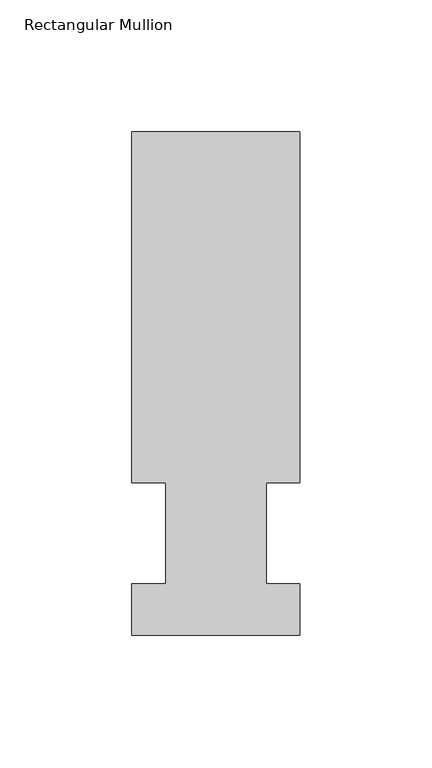
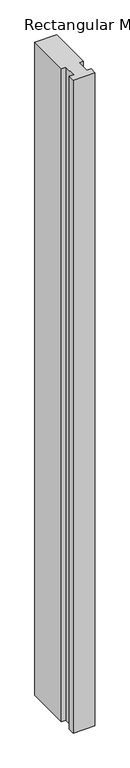
"""IFC4 building model written with IfcOpenShell, lengths in millimetres: member geometry, Rectangular Mullion."""

import ifcopenshell
import ifcopenshell.guid

model = None  # the IFC model being written
_history = None  # IfcOwnerHistory: only IFC2X3 demands one
_inside = {}  # id of a spatial element -> (the spatial element, [elements in it])
_under = {}  # id of a project, library or spatial element -> (it, [spatial elements below it])
_declared = {}  # id of a project -> (the project, [libraries it declares])
_typed = {}  # id of a type object -> (the type object, [elements of that type])
_made_of = {}  # id of a material, layer set ... -> (it, [elements and type objects made of it])


def new_model(schema):
    """Start an empty IFC model of exactly this schema.

    Asked for "IFC4X3", IfcOpenShell would pick the latest addendum, in which some entities
    have other attributes; the version numbers below select the first issue.
    IFC2X3 requires an IfcOwnerHistory on every rooted entity: one is made here for all.
    """
    global model, _history
    if schema == "IFC4X3":
        model = ifcopenshell.file(schema_version=(4, 3, 0, 0))
    else:
        model = ifcopenshell.file(schema=schema)
    _inside.clear()
    _under.clear()
    _declared.clear()
    _typed.clear()
    _made_of.clear()
    _history = None
    if model.schema == "IFC2X3":
        org = make("IfcOrganization", Name="unknown")
        user = make(
            "IfcPersonAndOrganization",
            ThePerson=make("IfcPerson", FamilyName="unknown"),
            TheOrganization=org,
        )
        app = make(
            "IfcApplication",
            ApplicationDeveloper=org,
            Version="unknown",
            ApplicationFullName="unknown",
            ApplicationIdentifier="unknown",
        )
        _history = make(
            "IfcOwnerHistory",
            OwningUser=user,
            OwningApplication=app,
            ChangeAction="ADDED",
            CreationDate=0,
        )
    return model


def make(cls, **values):
    """One entity of the class cls with the attributes given. An attribute that is None is left unset."""
    return model.create_entity(
        cls, **{name: value for name, value in values.items() if value is not None}
    )


def rooted(cls, **values):
    """An entity with a GlobalId (a new one), such as an element, a storey or a relation."""
    return make(cls, GlobalId=ifcopenshell.guid.new(), OwnerHistory=_history, **values)


def si_unit(unit_type, name, prefix=None):
    """IfcSIUnit, for example si_unit("LENGTHUNIT", "METRE", prefix="MILLI")."""
    return make("IfcSIUnit", UnitType=unit_type, Prefix=prefix, Name=name)


def assignment(units):
    """IfcUnitAssignment: the units of a project."""
    return None if units is None else make("IfcUnitAssignment", Units=units)


def point(xyz):
    """IfcCartesianPoint."""
    return None if xyz is None else make("IfcCartesianPoint", Coordinates=xyz)


def direction(xyz):
    """IfcDirection."""
    return None if xyz is None else make("IfcDirection", DirectionRatios=xyz)


def frame(location, z_axis=None, x_axis=None):
    """IfcAxis2Placement3D, a coordinate frame: its origin and axes. An axis left out is left unset."""
    return make(
        "IfcAxis2Placement3D",
        Location=point(location),
        Axis=direction(z_axis),
        RefDirection=direction(x_axis),
    )


def origin():
    """The frame at (0, 0, 0) with its axes left unset."""
    return frame((0.0, 0.0, 0.0))


def place(relative_to, where):
    """IfcLocalPlacement: puts the frame where relative to a parent placement (None: the world)."""
    return make(
        "IfcLocalPlacement", PlacementRelTo=relative_to, RelativePlacement=where
    )


def context(
    kind, dimensions, precision=None, world=None, true_north=None, identifier=None
):
    """IfcGeometricRepresentationContext, for example the 3D "Model" context."""
    return make(
        "IfcGeometricRepresentationContext",
        ContextIdentifier=identifier,
        ContextType=kind,
        CoordinateSpaceDimension=dimensions,
        Precision=precision,
        WorldCoordinateSystem=world,
        TrueNorth=true_north,
    )


def project(units=None, contexts=None):
    """IfcProject with its units and contexts."""
    return rooted(
        "IfcProject",
        Name="project",
        RepresentationContexts=contexts,
        UnitsInContext=assignment(units),
    )


def spatial(cls, under=None, at=None, **own):
    """A site, building, storey or space (cls), placed at a placement, below another one or the project."""
    s = rooted(cls, ObjectPlacement=at, **own)
    if under is not None:
        _under.setdefault(under.id(), (under, []))[1].append(s)
    return s


def polyline(points):
    """IfcPolyline through the points."""
    return make("IfcPolyline", Points=[point(p) for p in points])


def outline(outer, holes=None, kind="AREA"):
    """IfcArbitraryClosedProfileDef: a profile drawn as a closed curve; with holes, ...WithVoids."""
    if holes is None:
        return make("IfcArbitraryClosedProfileDef", ProfileType=kind, OuterCurve=outer)
    return make(
        "IfcArbitraryProfileDefWithVoids",
        ProfileType=kind,
        OuterCurve=outer,
        InnerCurves=holes,
    )


def extrude(swept, where, along, depth):
    """IfcExtrudedAreaSolid: the profile swept, set in the frame where, extruded along a direction by depth."""
    return make(
        "IfcExtrudedAreaSolid",
        SweptArea=swept,
        Position=where,
        ExtrudedDirection=direction(along),
        Depth=depth,
    )


def shape(context_of_items, identifier, shape_type, items):
    """IfcShapeRepresentation: the items that make up one representation, for example the "Body"."""
    return make(
        "IfcShapeRepresentation",
        ContextOfItems=context_of_items,
        RepresentationIdentifier=identifier,
        RepresentationType=shape_type,
        Items=items,
    )


def source(mapping_origin, context_of_items, identifier, shape_type, items):
    """IfcRepresentationMap: a shape defined once, which mapped items show again and again."""
    return make(
        "IfcRepresentationMap",
        MappingOrigin=mapping_origin,
        MappedRepresentation=shape(context_of_items, identifier, shape_type, items),
    )


def transform(
    local_origin,
    x_axis=None,
    y_axis=None,
    z_axis=None,
    scale=None,
    scale2=None,
    scale3=None,
    uniform=True,
):
    """IfcCartesianTransformationOperator3D, or its non-uniform kind. x_axis, y_axis, z_axis: its Axis1, 2, 3."""
    if uniform:
        return make(
            "IfcCartesianTransformationOperator3D",
            Axis1=direction(x_axis),
            Axis2=direction(y_axis),
            LocalOrigin=point(local_origin),
            Scale=scale,
            Axis3=direction(z_axis),
        )
    return make(
        "IfcCartesianTransformationOperator3DnonUniform",
        Axis1=direction(x_axis),
        Axis2=direction(y_axis),
        LocalOrigin=point(local_origin),
        Scale=scale,
        Axis3=direction(z_axis),
        Scale2=scale2,
        Scale3=scale3,
    )


def mapped(mapping_source, mapping_target):
    """IfcMappedItem: shows the shape of a source again, moved by a transform."""
    return make(
        "IfcMappedItem", MappingSource=mapping_source, MappingTarget=mapping_target
    )


def made_of(thing, what):
    """Note that an element or type object is made of a material, layer set ...; save() writes the relation."""
    if what is not None:
        _made_of.setdefault(what.id(), (what, []))[1].append(thing)
    return thing


def element(
    cls,
    number,
    at=None,
    inside=None,
    cuts=None,
    type_object=None,
    material=None,
    context=None,
    identifier="Body",
    shape_type=None,
    held_by="IfcProductDefinitionShape",
    body=None,
    shapes=None,
    **own,
):
    """One element of the class cls, such as IfcWall. Its Tag is "e" and its number.

    at: its placement. inside: the storey or other place that contains it. cuts: it is an
    opening in that element (IfcRelVoidsElement). A single representation is given by context,
    identifier, shape_type and body (its items); several are given by shapes. held_by: the class
    of the entity that holds the representations. save() writes the other relations.
    """
    e = rooted(cls, Tag="e%d" % number, ObjectPlacement=at, **own)
    if body is not None:
        shapes = [shape(context, identifier, shape_type, body)]
    if shapes is not None:
        e.Representation = make(held_by, Representations=shapes)
    if inside is not None:
        _inside.setdefault(inside.id(), (inside, []))[1].append(e)
    if cuts is not None:
        rooted(
            "IfcRelVoidsElement", RelatingBuildingElement=cuts, RelatedOpeningElement=e
        )
    if type_object is not None:
        _typed.setdefault(type_object.id(), (type_object, []))[1].append(e)
    return made_of(e, material)


def aggregate(whole, parts):
    """IfcRelAggregates: a whole, such as a stair, and the parts it consists of."""
    return rooted("IfcRelAggregates", RelatingObject=whole, RelatedObjects=parts)


def save(model, path):
    """Write the relations noted so far, then the file.

    IfcRelAggregates (storeys below a building ...), IfcRelContainedInSpatialStructure (elements
    in a storey), IfcRelDefinesByType, IfcRelAssociatesMaterial and IfcRelDeclares: one each for
    every whole, place, type object, material and project.
    """
    for whole, parts in _under.values():
        aggregate(whole, parts)
    for where, things in _inside.values():
        rooted(
            "IfcRelContainedInSpatialStructure",
            RelatedElements=things,
            RelatingStructure=where,
        )
    for kind, things in _typed.values():
        rooted("IfcRelDefinesByType", RelatedObjects=things, RelatingType=kind)
    for what, things in _made_of.values():
        rooted("IfcRelAssociatesMaterial", RelatedObjects=things, RelatingMaterial=what)
    for by, libraries in _declared.values():
        rooted("IfcRelDeclares", RelatingContext=by, RelatedDefinitions=libraries)
    model.write(path)


def rectangular_mullion_2c0aeb54(model_context):
    return source(origin(), model_context, "Body", "SweptSolid", [
        extrude(outline(polyline([(31.75, 190.5896937), (31.75, 57.6460937), (19.05, 57.6460937), (19.05, 19.5460937), (31.75, 19.5460937), (31.75, 0.0134938), (-31.75, 0.0134938), (-31.75, 19.5460937), (-19.05, 19.5460937), (-19.05, 57.6460937), (-31.75, 57.6460937), (-31.75, 190.5896937), (31.75, 190.5896937)])), frame((0.0, 0.0, -1993.9), z_axis=(0.0, 0.0, 1.0), x_axis=(1.0, 0.0, 0.0)), (0.0, 0.0, 1.0), 1993.9),
    ])


if __name__ == "__main__":
    model = new_model("IFC4")
    model_context = context("Model", 3, world=origin())
    ifc_project = project(units=[si_unit("LENGTHUNIT", "METRE", prefix="MILLI")], contexts=[model_context])
    site = spatial("IfcSite", under=ifc_project)
    building = spatial("IfcBuilding", under=site)
    placement = place(None, origin())
    rectangular_mullion_shape = rectangular_mullion_2c0aeb54(model_context)
    element("IfcMember", 1, ObjectType="Rectangular Mullion", at=placement, inside=building, context=model_context, shape_type="MappedRepresentation", body=[
        mapped(rectangular_mullion_shape, transform((0.0, 0.0, 0.0), x_axis=(1.0, 0.0, 0.0), y_axis=(0.0, 1.0, 0.0), z_axis=(0.0, 0.0, 1.0))),
    ])
    save(model, "model.ifc")
